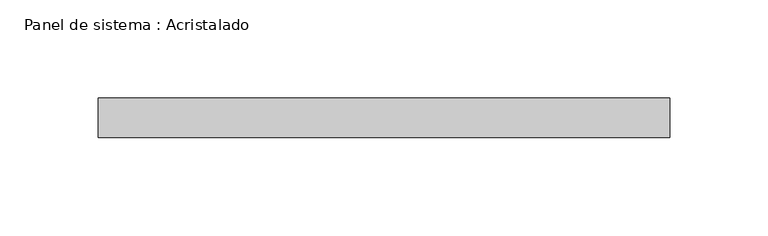
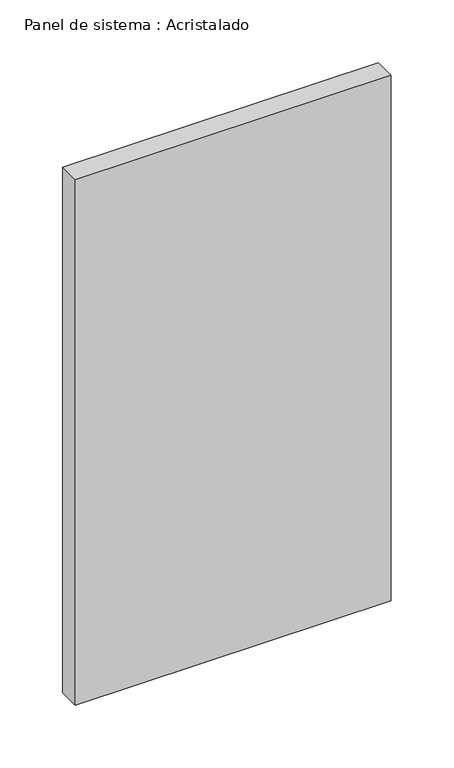
"""IFC4 building model written with IfcOpenShell, lengths in millimetres: plate geometry, Panel de sistema : Acristalado."""

from ifc_helpers import new_model, si_unit, origin, origin_with_axes, place, context, project, spatial, polyline, outline, extrude, source, transform, mapped, element, save


def panel_de_sistema_acristalado_6b2c20c3(model_context):
    return source(origin(), model_context, "Body", "SweptSolid", [
        extrude(outline(polyline([(145.0, -10.0), (-145.0, -10.0), (-145.0, 10.0), (145.0, 10.0), (145.0, -10.0)])), origin_with_axes(), (0.0, 0.0, 1.0), 510.0),
    ])


if __name__ == "__main__":
    model = new_model("IFC4")
    model_context = context("Model", 3, world=origin())
    ifc_project = project(units=[si_unit("LENGTHUNIT", "METRE", prefix="MILLI")], contexts=[model_context])
    site = spatial("IfcSite", under=ifc_project)
    building = spatial("IfcBuilding", under=site)
    placement = place(None, origin())
    panel_de_sistema_acristalado_shape = panel_de_sistema_acristalado_6b2c20c3(model_context)
    element("IfcPlate", 1, ObjectType="Panel de sistema : Acristalado", at=placement, inside=building, context=model_context, shape_type="MappedRepresentation", body=[
        mapped(panel_de_sistema_acristalado_shape, transform((0.0, 0.0, 0.0), x_axis=(1.0, 0.0, 0.0), y_axis=(0.0, 1.0, 0.0), z_axis=(0.0, 0.0, 1.0))),
    ])
    save(model, "model.ifc")
